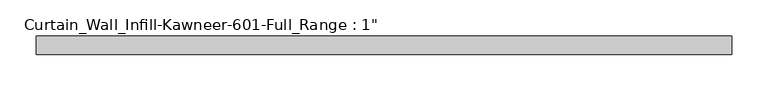
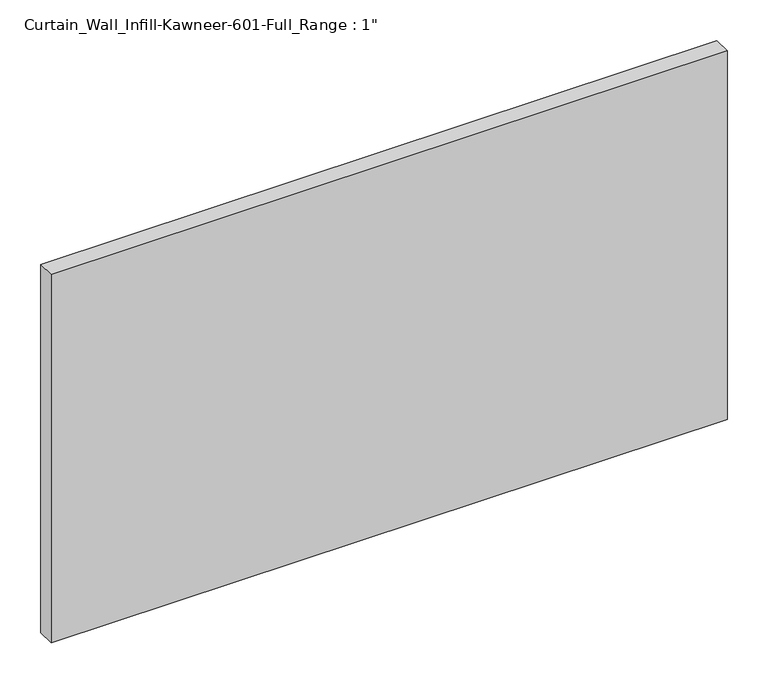
"""IFC4 building model written with IfcOpenShell, lengths in millimetres: plate geometry."""

from ifc_helpers import new_model, si_unit, origin, origin_with_axes, place, context, project, spatial, polyline, outline, extrude, source, transform, mapped, element, save


def plate_9dd5eb80(model_context):
    return source(origin(), model_context, "Body", "SweptSolid", [
        extrude(outline(polyline([(-479.425, 12.7), (479.425, 12.7), (479.425, -12.7), (-479.425, -12.7), (-479.425, 12.7)])), origin_with_axes(), (0.0, 0.0, 1.0), 552.45),
    ])


if __name__ == "__main__":
    model = new_model("IFC4")
    model_context = context("Model", 3, world=origin())
    ifc_project = project(units=[si_unit("LENGTHUNIT", "METRE", prefix="MILLI")], contexts=[model_context])
    site = spatial("IfcSite", under=ifc_project)
    building = spatial("IfcBuilding", under=site)
    placement = place(None, origin())
    plate_shape = plate_9dd5eb80(model_context)
    element("IfcPlate", 1, ObjectType="Curtain_Wall_Infill-Kawneer-601-Full_Range : 1\"", at=placement, inside=building, context=model_context, shape_type="MappedRepresentation", body=[
        mapped(plate_shape, transform((0.0, 0.0, 0.0), x_axis=(1.0, 0.0, 0.0), y_axis=(0.0, 1.0, 0.0), z_axis=(0.0, 0.0, 1.0))),
    ])
    save(model, "model.ifc")
